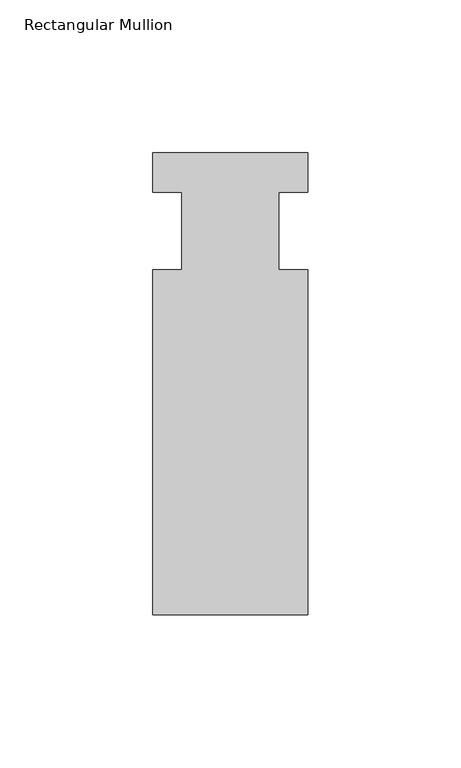
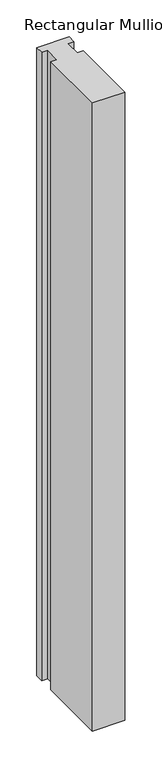
"""IFC4 building model written with IfcOpenShell, lengths in millimetres: member geometry, Rectangular Mullion."""

from ifc_helpers import new_model, si_unit, frame, origin, place, context, project, spatial, polyline, outline, extrude, source, transform, mapped, element, save


def rectangular_mullion_5d443d87(model_context):
    return source(origin(), model_context, "Body", "SweptSolid", [
        extrude(outline(polyline([(-25.4, 25.5984375), (25.4, 25.5984375), (25.4, 12.7), (15.875, 12.7), (15.875, -12.7), (25.4, -12.7), (25.4, -125.6109375), (-25.4, -125.6109375), (-25.4, -12.7), (-15.875, -12.7), (-15.875, 12.7), (-25.4, 12.7), (-25.4, 25.5984375)])), frame((0.0, 0.0, -1042.56492), z_axis=(0.0, 0.0, 1.0), x_axis=(1.0, 0.0, 0.0)), (0.0, 0.0, 1.0), 1042.56492),
    ])


if __name__ == "__main__":
    model = new_model("IFC4")
    model_context = context("Model", 3, world=origin())
    ifc_project = project(units=[si_unit("LENGTHUNIT", "METRE", prefix="MILLI")], contexts=[model_context])
    site = spatial("IfcSite", under=ifc_project)
    building = spatial("IfcBuilding", under=site)
    placement = place(None, origin())
    rectangular_mullion_shape = rectangular_mullion_5d443d87(model_context)
    element("IfcMember", 1, ObjectType="Rectangular Mullion", at=placement, inside=building, context=model_context, shape_type="MappedRepresentation", body=[
        mapped(rectangular_mullion_shape, transform((0.0, 0.0, 0.0), x_axis=(1.0, 0.0, 0.0), y_axis=(0.0, 1.0, 0.0), z_axis=(0.0, 0.0, 1.0))),
    ])
    save(model, "model.ifc")
